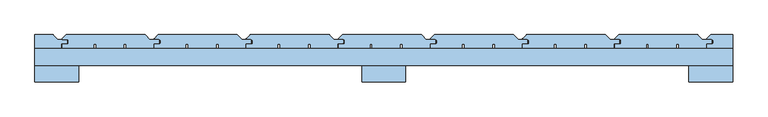
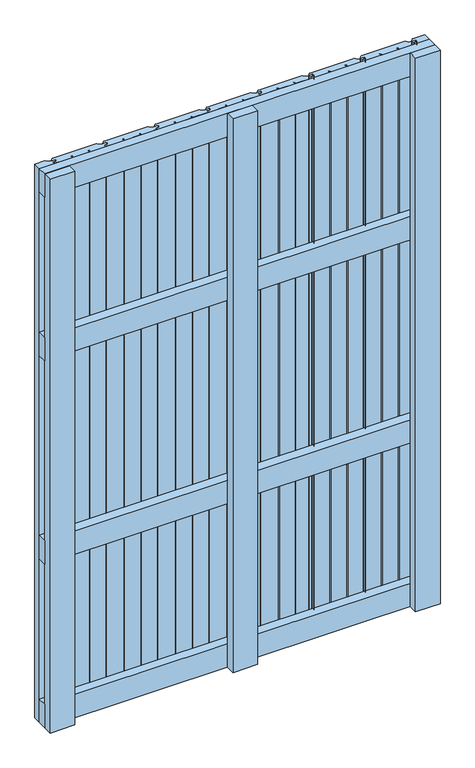
"""IFC4 building model written with IfcOpenShell, lengths in millimetres: window geometry."""

from ifc_helpers import new_model, si_unit, point, frame, frame_2d, origin, place, context, project, spatial, polyline, circle_curve, trimmed, segment, composite_curve, outline, extrude, source, transform, mapped, element, save


def window_a1fb4869(model_context):
    return source(origin(), model_context, "Body", "SweptSolid", [
        extrude(outline(polyline([(500.0, 30.0), (500.0, 6.0), (-500.0, 6.0), (-500.0, 30.0), (500.0, 30.0)])), frame((0.0, 0.0, 1093.5), z_axis=(0.0, 0.0, 1.0), x_axis=(1.0, 0.0, 0.0)), (0.0, 0.0, 1.0), 63.0),
        extrude(outline(polyline([(500.0, 30.0), (500.0, 6.0), (-500.0, 6.0), (-500.0, 30.0), (500.0, 30.0)])), frame((0.0, 0.0, 543.5), z_axis=(0.0, 0.0, 1.0), x_axis=(1.0, 0.0, 0.0)), (0.0, 0.0, 1.0), 63.0),
        extrude(outline(polyline([(500.0, 30.0), (500.0, 6.0), (-500.0, 6.0), (-500.0, 30.0), (500.0, 30.0)])), frame((0.0, 0.0, 1537.0), z_axis=(0.0, 0.0, 1.0), x_axis=(1.0, 0.0, 0.0)), (0.0, 0.0, 1.0), 63.0),
        extrude(outline(polyline([(500.0, 30.0), (500.0, 6.0), (-500.0, 6.0), (-500.0, 30.0), (500.0, 30.0)])), frame((0.0, 0.0, 100.0), z_axis=(0.0, 0.0, 1.0), x_axis=(1.0, 0.0, 0.0)), (0.0, 0.0, 1.0), 63.0),
        extrude(outline(composite_curve([segment(polyline([(-460.0, 36.5), (-453.5, 36.5)]), True, "CONTINUOUS"), segment(trimmed(circle_curve(frame_2d((-453.5, 38.0)), 1.5), [point((-453.5, 36.5))], [point((-452.0, 38.0))], True, "CARTESIAN"), True, "CONTINUOUS"), segment(polyline([(-452.0, 38.0), (-452.0, 41.5)]), True, "CONTINUOUS"), segment(trimmed(circle_curve(frame_2d((-453.5, 41.5)), 1.5), [point((-452.0, 41.5))], [point((-453.5, 43.0))], True, "CARTESIAN"), True, "CONTINUOUS"), segment(polyline([(-453.5, 43.0), (-460.0, 43.0)]), True, "CONTINUOUS"), segment(trimmed(circle_curve(frame_2d((-460.0, 44.0)), 1.0), [point((-460.0, 43.0))], [point((-460.7071068, 44.7071068))], False, "CARTESIAN"), True, "CONTINUOUS"), segment(polyline([(-460.7071068, 44.7071068), (-455.8535534, 49.5606602)]), True, "CONTINUOUS"), segment(trimmed(circle_curve(frame_2d((-454.7928932, 48.5)), 1.5), [point((-455.8535534, 49.5606602))], [point((-454.7928932, 50.0))], False, "CARTESIAN"), True, "CONTINUOUS"), segment(polyline([(-454.7928932, 50.0), (-342.6213203, 50.0)]), True, "CONTINUOUS"), segment(trimmed(circle_curve(frame_2d((-342.6213203, 48.5)), 1.5), [point((-342.6213203, 50.0))], [point((-341.5606602, 49.5606602))], False, "CARTESIAN"), True, "CONTINUOUS"), segment(polyline([(-341.5606602, 49.5606602), (-335.2928932, 43.2928932)]), True, "CONTINUOUS"), segment(trimmed(circle_curve(frame_2d((-334.5857864, 44.0)), 1.0), [point((-335.2928932, 43.2928932))], [point((-334.5857864, 43.0))], True, "CARTESIAN"), True, "CONTINUOUS"), segment(polyline([(-334.5857864, 43.0), (-323.5, 43.0)]), True, "CONTINUOUS"), segment(trimmed(circle_curve(frame_2d((-323.5, 41.5)), 1.5), [point((-323.5, 43.0))], [point((-322.0, 41.5))], False, "CARTESIAN"), True, "CONTINUOUS"), segment(polyline([(-322.0, 41.5), (-322.0, 38.5)]), True, "CONTINUOUS"), segment(trimmed(circle_curve(frame_2d((-323.5, 38.5)), 1.5), [point((-322.0, 38.5))], [point((-323.5, 37.0))], False, "CARTESIAN"), True, "CONTINUOUS"), segment(polyline([(-323.5, 37.0), (-330.0, 37.0), (-330.0, 30.5), (-369.0, 30.5), (-369.0, 36.5), (-372.5, 36.5), (-372.5, 30.5), (-412.5, 30.5), (-412.5, 36.5), (-416.0, 36.5), (-416.0, 30.5), (-461.0, 30.5), (-461.0, 35.5)]), True, "CONTINUOUS"), segment(trimmed(circle_curve(frame_2d((-460.0, 35.5)), 1.0), [point((-461.0, 35.5))], [point((-460.0, 36.5))], False, "CARTESIAN"), True, "CONTINUOUS")], self_intersect=False)), frame((0.0, 0.0, 100.0), z_axis=(0.0, 0.0, 1.0), x_axis=(1.0, 0.0, 0.0)), (0.0, 0.0, 1.0), 1500.0),
        extrude(outline(composite_curve([segment(polyline([(-328.0, 36.5), (-321.5, 36.5)]), True, "CONTINUOUS"), segment(trimmed(circle_curve(frame_2d((-321.5, 38.0)), 1.5), [point((-321.5, 36.5))], [point((-320.0, 38.0))], True, "CARTESIAN"), True, "CONTINUOUS"), segment(polyline([(-320.0, 38.0), (-320.0, 41.5)]), True, "CONTINUOUS"), segment(trimmed(circle_curve(frame_2d((-321.5, 41.5)), 1.5), [point((-320.0, 41.5))], [point((-321.5, 43.0))], True, "CARTESIAN"), True, "CONTINUOUS"), segment(polyline([(-321.5, 43.0), (-328.0, 43.0)]), True, "CONTINUOUS"), segment(trimmed(circle_curve(frame_2d((-328.0, 44.0)), 1.0), [point((-328.0, 43.0))], [point((-328.7071068, 44.7071068))], False, "CARTESIAN"), True, "CONTINUOUS"), segment(polyline([(-328.7071068, 44.7071068), (-323.8535534, 49.5606602)]), True, "CONTINUOUS"), segment(trimmed(circle_curve(frame_2d((-322.7928932, 48.5)), 1.5), [point((-323.8535534, 49.5606602))], [point((-322.7928932, 50.0))], False, "CARTESIAN"), True, "CONTINUOUS"), segment(polyline([(-322.7928932, 50.0), (-210.6213203, 50.0)]), True, "CONTINUOUS"), segment(trimmed(circle_curve(frame_2d((-210.6213203, 48.5)), 1.5), [point((-210.6213203, 50.0))], [point((-209.5606602, 49.5606602))], False, "CARTESIAN"), True, "CONTINUOUS"), segment(polyline([(-209.5606602, 49.5606602), (-203.2928932, 43.2928932)]), True, "CONTINUOUS"), segment(trimmed(circle_curve(frame_2d((-202.5857864, 44.0)), 1.0), [point((-203.2928932, 43.2928932))], [point((-202.5857864, 43.0))], True, "CARTESIAN"), True, "CONTINUOUS"), segment(polyline([(-202.5857864, 43.0), (-191.5, 43.0)]), True, "CONTINUOUS"), segment(trimmed(circle_curve(frame_2d((-191.5, 41.5)), 1.5), [point((-191.5, 43.0))], [point((-190.0, 41.5))], False, "CARTESIAN"), True, "CONTINUOUS"), segment(polyline([(-190.0, 41.5), (-190.0, 38.5)]), True, "CONTINUOUS"), segment(trimmed(circle_curve(frame_2d((-191.5, 38.5)), 1.5), [point((-190.0, 38.5))], [point((-191.5, 37.0))], False, "CARTESIAN"), True, "CONTINUOUS"), segment(polyline([(-191.5, 37.0), (-198.0, 37.0), (-198.0, 30.5), (-237.0, 30.5), (-237.0, 36.5), (-240.5, 36.5), (-240.5, 30.5), (-280.5, 30.5), (-280.5, 36.5), (-284.0, 36.5), (-284.0, 30.5), (-329.0, 30.5), (-329.0, 35.5)]), True, "CONTINUOUS"), segment(trimmed(circle_curve(frame_2d((-328.0, 35.5)), 1.0), [point((-329.0, 35.5))], [point((-328.0, 36.5))], False, "CARTESIAN"), True, "CONTINUOUS")], self_intersect=False)), frame((0.0, 0.0, 100.0), z_axis=(0.0, 0.0, 1.0), x_axis=(1.0, 0.0, 0.0)), (0.0, 0.0, 1.0), 1500.0),
        extrude(outline(composite_curve([segment(polyline([(-196.0, 36.5), (-189.5, 36.5)]), True, "CONTINUOUS"), segment(trimmed(circle_curve(frame_2d((-189.5, 38.0)), 1.5), [point((-189.5, 36.5))], [point((-188.0, 38.0))], True, "CARTESIAN"), True, "CONTINUOUS"), segment(polyline([(-188.0, 38.0), (-188.0, 41.5)]), True, "CONTINUOUS"), segment(trimmed(circle_curve(frame_2d((-189.5, 41.5)), 1.5), [point((-188.0, 41.5))], [point((-189.5, 43.0))], True, "CARTESIAN"), True, "CONTINUOUS"), segment(polyline([(-189.5, 43.0), (-196.0, 43.0)]), True, "CONTINUOUS"), segment(trimmed(circle_curve(frame_2d((-196.0, 44.0)), 1.0), [point((-196.0, 43.0))], [point((-196.7071068, 44.7071068))], False, "CARTESIAN"), True, "CONTINUOUS"), segment(polyline([(-196.7071068, 44.7071068), (-191.8535534, 49.5606602)]), True, "CONTINUOUS"), segment(trimmed(circle_curve(frame_2d((-190.7928932, 48.5)), 1.5), [point((-191.8535534, 49.5606602))], [point((-190.7928932, 50.0))], False, "CARTESIAN"), True, "CONTINUOUS"), segment(polyline([(-190.7928932, 50.0), (-78.6213203, 50.0)]), True, "CONTINUOUS"), segment(trimmed(circle_curve(frame_2d((-78.6213203, 48.5)), 1.5), [point((-78.6213203, 50.0))], [point((-77.5606602, 49.5606602))], False, "CARTESIAN"), True, "CONTINUOUS"), segment(polyline([(-77.5606602, 49.5606602), (-71.2928932, 43.2928932)]), True, "CONTINUOUS"), segment(trimmed(circle_curve(frame_2d((-70.5857864, 44.0)), 1.0), [point((-71.2928932, 43.2928932))], [point((-70.5857864, 43.0))], True, "CARTESIAN"), True, "CONTINUOUS"), segment(polyline([(-70.5857864, 43.0), (-59.5, 43.0)]), True, "CONTINUOUS"), segment(trimmed(circle_curve(frame_2d((-59.5, 41.5)), 1.5), [point((-59.5, 43.0))], [point((-58.0, 41.5))], False, "CARTESIAN"), True, "CONTINUOUS"), segment(polyline([(-58.0, 41.5), (-58.0, 38.5)]), True, "CONTINUOUS"), segment(trimmed(circle_curve(frame_2d((-59.5, 38.5)), 1.5), [point((-58.0, 38.5))], [point((-59.5, 37.0))], False, "CARTESIAN"), True, "CONTINUOUS"), segment(polyline([(-59.5, 37.0), (-66.0, 37.0), (-66.0, 30.5), (-105.0, 30.5), (-105.0, 36.5), (-108.5, 36.5), (-108.5, 30.5), (-148.5, 30.5), (-148.5, 36.5), (-152.0, 36.5), (-152.0, 30.5), (-197.0, 30.5), (-197.0, 35.5)]), True, "CONTINUOUS"), segment(trimmed(circle_curve(frame_2d((-196.0, 35.5)), 1.0), [point((-197.0, 35.5))], [point((-196.0, 36.5))], False, "CARTESIAN"), True, "CONTINUOUS")], self_intersect=False)), frame((0.0, 0.0, 100.0), z_axis=(0.0, 0.0, 1.0), x_axis=(1.0, 0.0, 0.0)), (0.0, 0.0, 1.0), 1500.0),
        extrude(outline(composite_curve([segment(polyline([(-64.0, 36.5), (-57.5, 36.5)]), True, "CONTINUOUS"), segment(trimmed(circle_curve(frame_2d((-57.5, 38.0)), 1.5), [point((-57.5, 36.5))], [point((-56.0, 38.0))], True, "CARTESIAN"), True, "CONTINUOUS"), segment(polyline([(-56.0, 38.0), (-56.0, 41.5)]), True, "CONTINUOUS"), segment(trimmed(circle_curve(frame_2d((-57.5, 41.5)), 1.5), [point((-56.0, 41.5))], [point((-57.5, 43.0))], True, "CARTESIAN"), True, "CONTINUOUS"), segment(polyline([(-57.5, 43.0), (-64.0, 43.0)]), True, "CONTINUOUS"), segment(trimmed(circle_curve(frame_2d((-64.0, 44.0)), 1.0), [point((-64.0, 43.0))], [point((-64.7071068, 44.7071068))], False, "CARTESIAN"), True, "CONTINUOUS"), segment(polyline([(-64.7071068, 44.7071068), (-59.8535534, 49.5606602)]), True, "CONTINUOUS"), segment(trimmed(circle_curve(frame_2d((-58.7928932, 48.5)), 1.5), [point((-59.8535534, 49.5606602))], [point((-58.7928932, 50.0))], False, "CARTESIAN"), True, "CONTINUOUS"), segment(polyline([(-58.7928932, 50.0), (53.3786797, 50.0)]), True, "CONTINUOUS"), segment(trimmed(circle_curve(frame_2d((53.3786797, 48.5)), 1.5), [point((53.3786797, 50.0))], [point((54.4393398, 49.5606602))], False, "CARTESIAN"), True, "CONTINUOUS"), segment(polyline([(54.4393398, 49.5606602), (60.7071068, 43.2928932)]), True, "CONTINUOUS"), segment(trimmed(circle_curve(frame_2d((61.4142136, 44.0)), 1.0), [point((60.7071068, 43.2928932))], [point((61.4142136, 43.0))], True, "CARTESIAN"), True, "CONTINUOUS"), segment(polyline([(61.4142136, 43.0), (72.5, 43.0)]), True, "CONTINUOUS"), segment(trimmed(circle_curve(frame_2d((72.5, 41.5)), 1.5), [point((72.5, 43.0))], [point((74.0, 41.5))], False, "CARTESIAN"), True, "CONTINUOUS"), segment(polyline([(74.0, 41.5), (74.0, 38.5)]), True, "CONTINUOUS"), segment(trimmed(circle_curve(frame_2d((72.5, 38.5)), 1.5), [point((74.0, 38.5))], [point((72.5, 37.0))], False, "CARTESIAN"), True, "CONTINUOUS"), segment(polyline([(72.5, 37.0), (66.0, 37.0), (66.0, 30.5), (27.0, 30.5), (27.0, 36.5), (23.5, 36.5), (23.5, 30.5), (-16.5, 30.5), (-16.5, 36.5), (-20.0, 36.5), (-20.0, 30.5), (-65.0, 30.5), (-65.0, 35.5)]), True, "CONTINUOUS"), segment(trimmed(circle_curve(frame_2d((-64.0, 35.5)), 1.0), [point((-65.0, 35.5))], [point((-64.0, 36.5))], False, "CARTESIAN"), True, "CONTINUOUS")], self_intersect=False)), frame((0.0, 0.0, 100.0), z_axis=(0.0, 0.0, 1.0), x_axis=(1.0, 0.0, 0.0)), (0.0, 0.0, 1.0), 1500.0),
        extrude(outline(composite_curve([segment(polyline([(68.0, 36.5), (74.5, 36.5)]), True, "CONTINUOUS"), segment(trimmed(circle_curve(frame_2d((74.5, 38.0)), 1.5), [point((74.5, 36.5))], [point((76.0, 38.0))], True, "CARTESIAN"), True, "CONTINUOUS"), segment(polyline([(76.0, 38.0), (76.0, 41.5)]), True, "CONTINUOUS"), segment(trimmed(circle_curve(frame_2d((74.5, 41.5)), 1.5), [point((76.0, 41.5))], [point((74.5, 43.0))], True, "CARTESIAN"), True, "CONTINUOUS"), segment(polyline([(74.5, 43.0), (68.0, 43.0)]), True, "CONTINUOUS"), segment(trimmed(circle_curve(frame_2d((68.0, 44.0)), 1.0), [point((68.0, 43.0))], [point((67.2928932, 44.7071068))], False, "CARTESIAN"), True, "CONTINUOUS"), segment(polyline([(67.2928932, 44.7071068), (72.1464466, 49.5606602)]), True, "CONTINUOUS"), segment(trimmed(circle_curve(frame_2d((73.2071068, 48.5)), 1.5), [point((72.1464466, 49.5606602))], [point((73.2071068, 50.0))], False, "CARTESIAN"), True, "CONTINUOUS"), segment(polyline([(73.2071068, 50.0), (185.3786797, 50.0)]), True, "CONTINUOUS"), segment(trimmed(circle_curve(frame_2d((185.3786797, 48.5)), 1.5), [point((185.3786797, 50.0))], [point((186.4393398, 49.5606602))], False, "CARTESIAN"), True, "CONTINUOUS"), segment(polyline([(186.4393398, 49.5606602), (192.7071068, 43.2928932)]), True, "CONTINUOUS"), segment(trimmed(circle_curve(frame_2d((193.4142136, 44.0)), 1.0), [point((192.7071068, 43.2928932))], [point((193.4142136, 43.0))], True, "CARTESIAN"), True, "CONTINUOUS"), segment(polyline([(193.4142136, 43.0), (204.5, 43.0)]), True, "CONTINUOUS"), segment(trimmed(circle_curve(frame_2d((204.5, 41.5)), 1.5), [point((204.5, 43.0))], [point((206.0, 41.5))], False, "CARTESIAN"), True, "CONTINUOUS"), segment(polyline([(206.0, 41.5), (206.0, 38.5)]), True, "CONTINUOUS"), segment(trimmed(circle_curve(frame_2d((204.5, 38.5)), 1.5), [point((206.0, 38.5))], [point((204.5, 37.0))], False, "CARTESIAN"), True, "CONTINUOUS"), segment(polyline([(204.5, 37.0), (198.0, 37.0), (198.0, 30.5), (159.0, 30.5), (159.0, 36.5), (155.5, 36.5), (155.5, 30.5), (115.5, 30.5), (115.5, 36.5), (112.0, 36.5), (112.0, 30.5), (67.0, 30.5), (67.0, 35.5)]), True, "CONTINUOUS"), segment(trimmed(circle_curve(frame_2d((68.0, 35.5)), 1.0), [point((67.0, 35.5))], [point((68.0, 36.5))], False, "CARTESIAN"), True, "CONTINUOUS")], self_intersect=False)), frame((0.0, 0.0, 100.0), z_axis=(0.0, 0.0, 1.0), x_axis=(1.0, 0.0, 0.0)), (0.0, 0.0, 1.0), 1500.0),
        extrude(outline(composite_curve([segment(polyline([(200.0, 36.5), (206.5, 36.5)]), True, "CONTINUOUS"), segment(trimmed(circle_curve(frame_2d((206.5, 38.0)), 1.5), [point((206.5, 36.5))], [point((208.0, 38.0))], True, "CARTESIAN"), True, "CONTINUOUS"), segment(polyline([(208.0, 38.0), (208.0, 41.5)]), True, "CONTINUOUS"), segment(trimmed(circle_curve(frame_2d((206.5, 41.5)), 1.5), [point((208.0, 41.5))], [point((206.5, 43.0))], True, "CARTESIAN"), True, "CONTINUOUS"), segment(polyline([(206.5, 43.0), (200.0, 43.0)]), True, "CONTINUOUS"), segment(trimmed(circle_curve(frame_2d((200.0, 44.0)), 1.0), [point((200.0, 43.0))], [point((199.2928932, 44.7071068))], False, "CARTESIAN"), True, "CONTINUOUS"), segment(polyline([(199.2928932, 44.7071068), (204.1464466, 49.5606602)]), True, "CONTINUOUS"), segment(trimmed(circle_curve(frame_2d((205.2071068, 48.5)), 1.5), [point((204.1464466, 49.5606602))], [point((205.2071068, 50.0))], False, "CARTESIAN"), True, "CONTINUOUS"), segment(polyline([(205.2071068, 50.0), (317.3786797, 50.0)]), True, "CONTINUOUS"), segment(trimmed(circle_curve(frame_2d((317.3786797, 48.5)), 1.5), [point((317.3786797, 50.0))], [point((318.4393398, 49.5606602))], False, "CARTESIAN"), True, "CONTINUOUS"), segment(polyline([(318.4393398, 49.5606602), (324.7071068, 43.2928932)]), True, "CONTINUOUS"), segment(trimmed(circle_curve(frame_2d((325.4142136, 44.0)), 1.0), [point((324.7071068, 43.2928932))], [point((325.4142136, 43.0))], True, "CARTESIAN"), True, "CONTINUOUS"), segment(polyline([(325.4142136, 43.0), (336.5, 43.0)]), True, "CONTINUOUS"), segment(trimmed(circle_curve(frame_2d((336.5, 41.5)), 1.5), [point((336.5, 43.0))], [point((338.0, 41.5))], False, "CARTESIAN"), True, "CONTINUOUS"), segment(polyline([(338.0, 41.5), (338.0, 38.5)]), True, "CONTINUOUS"), segment(trimmed(circle_curve(frame_2d((336.5, 38.5)), 1.5), [point((338.0, 38.5))], [point((336.5, 37.0))], False, "CARTESIAN"), True, "CONTINUOUS"), segment(polyline([(336.5, 37.0), (330.0, 37.0), (330.0, 30.5), (291.0, 30.5), (291.0, 36.5), (287.5, 36.5), (287.5, 30.5), (247.5, 30.5), (247.5, 36.5), (244.0, 36.5), (244.0, 30.5), (199.0, 30.5), (199.0, 35.5)]), True, "CONTINUOUS"), segment(trimmed(circle_curve(frame_2d((200.0, 35.5)), 1.0), [point((199.0, 35.5))], [point((200.0, 36.5))], False, "CARTESIAN"), True, "CONTINUOUS")], self_intersect=False)), frame((0.0, 0.0, 100.0), z_axis=(0.0, 0.0, 1.0), x_axis=(1.0, 0.0, 0.0)), (0.0, 0.0, 1.0), 1500.0),
        extrude(outline(composite_curve([segment(polyline([(332.0, 36.5), (338.5, 36.5)]), True, "CONTINUOUS"), segment(trimmed(circle_curve(frame_2d((338.5, 38.0)), 1.5), [point((338.5, 36.5))], [point((340.0, 38.0))], True, "CARTESIAN"), True, "CONTINUOUS"), segment(polyline([(340.0, 38.0), (340.0, 41.5)]), True, "CONTINUOUS"), segment(trimmed(circle_curve(frame_2d((338.5, 41.5)), 1.5), [point((340.0, 41.5))], [point((338.5, 43.0))], True, "CARTESIAN"), True, "CONTINUOUS"), segment(polyline([(338.5, 43.0), (332.0, 43.0)]), True, "CONTINUOUS"), segment(trimmed(circle_curve(frame_2d((332.0, 44.0)), 1.0), [point((332.0, 43.0))], [point((331.2928932, 44.7071068))], False, "CARTESIAN"), True, "CONTINUOUS"), segment(polyline([(331.2928932, 44.7071068), (336.1464466, 49.5606602)]), True, "CONTINUOUS"), segment(trimmed(circle_curve(frame_2d((337.2071068, 48.5)), 1.5), [point((336.1464466, 49.5606602))], [point((337.2071068, 50.0))], False, "CARTESIAN"), True, "CONTINUOUS"), segment(polyline([(337.2071068, 50.0), (449.3786797, 50.0)]), True, "CONTINUOUS"), segment(trimmed(circle_curve(frame_2d((449.3786797, 48.5)), 1.5), [point((449.3786797, 50.0))], [point((450.4393398, 49.5606602))], False, "CARTESIAN"), True, "CONTINUOUS"), segment(polyline([(450.4393398, 49.5606602), (456.7071068, 43.2928932)]), True, "CONTINUOUS"), segment(trimmed(circle_curve(frame_2d((457.4142136, 44.0)), 1.0), [point((456.7071068, 43.2928932))], [point((457.4142136, 43.0))], True, "CARTESIAN"), True, "CONTINUOUS"), segment(polyline([(457.4142136, 43.0), (468.5, 43.0)]), True, "CONTINUOUS"), segment(trimmed(circle_curve(frame_2d((468.5, 41.5)), 1.5), [point((468.5, 43.0))], [point((470.0, 41.5))], False, "CARTESIAN"), True, "CONTINUOUS"), segment(polyline([(470.0, 41.5), (470.0, 38.5)]), True, "CONTINUOUS"), segment(trimmed(circle_curve(frame_2d((468.5, 38.5)), 1.5), [point((470.0, 38.5))], [point((468.5, 37.0))], False, "CARTESIAN"), True, "CONTINUOUS"), segment(polyline([(468.5, 37.0), (462.0, 37.0), (462.0, 30.5), (423.0, 30.5), (423.0, 36.5), (419.5, 36.5), (419.5, 30.5), (379.5, 30.5), (379.5, 36.5), (376.0, 36.5), (376.0, 30.5), (331.0, 30.5), (331.0, 35.5)]), True, "CONTINUOUS"), segment(trimmed(circle_curve(frame_2d((332.0, 35.5)), 1.0), [point((331.0, 35.5))], [point((332.0, 36.5))], False, "CARTESIAN"), True, "CONTINUOUS")], self_intersect=False)), frame((0.0, 0.0, 100.0), z_axis=(0.0, 0.0, 1.0), x_axis=(1.0, 0.0, 0.0)), (0.0, 0.0, 1.0), 1500.0),
        extrude(outline(composite_curve([segment(polyline([(-473.5606602, 49.5606602), (-467.2928932, 43.2928932)]), True, "CONTINUOUS"), segment(trimmed(circle_curve(frame_2d((-466.5857864, 44.0)), 1.0), [point((-467.2928932, 43.2928932))], [point((-466.5857864, 43.0))], True, "CARTESIAN"), True, "CONTINUOUS"), segment(polyline([(-466.5857864, 43.0), (-455.5, 43.0)]), True, "CONTINUOUS"), segment(trimmed(circle_curve(frame_2d((-455.5, 41.5)), 1.5), [point((-455.5, 43.0))], [point((-454.0, 41.5))], False, "CARTESIAN"), True, "CONTINUOUS"), segment(polyline([(-454.0, 41.5), (-454.0, 38.5)]), True, "CONTINUOUS"), segment(trimmed(circle_curve(frame_2d((-455.5, 38.5)), 1.5), [point((-454.0, 38.5))], [point((-455.5, 37.0))], False, "CARTESIAN"), True, "CONTINUOUS"), segment(polyline([(-455.5, 37.0), (-462.0, 37.0), (-462.0, 30.5), (-500.0, 30.5), (-500.0, 50.0), (-474.6213203, 50.0)]), True, "CONTINUOUS"), segment(trimmed(circle_curve(frame_2d((-474.6213203, 48.5)), 1.5), [point((-474.6213203, 50.0))], [point((-473.5606602, 49.5606602))], False, "CARTESIAN"), True, "CONTINUOUS")], self_intersect=False)), frame((0.0, 0.0, 100.0), z_axis=(0.0, 0.0, 1.0), x_axis=(1.0, 0.0, 0.0)), (0.0, 0.0, 1.0), 1500.0),
        extrude(outline(composite_curve([segment(polyline([(464.0, 36.5), (470.5, 36.5)]), True, "CONTINUOUS"), segment(trimmed(circle_curve(frame_2d((470.5, 38.0)), 1.5), [point((470.5, 36.5))], [point((472.0, 38.0))], True, "CARTESIAN"), True, "CONTINUOUS"), segment(polyline([(472.0, 38.0), (472.0, 41.5)]), True, "CONTINUOUS"), segment(trimmed(circle_curve(frame_2d((470.5, 41.5)), 1.5), [point((472.0, 41.5))], [point((470.5, 43.0))], True, "CARTESIAN"), True, "CONTINUOUS"), segment(polyline([(470.5, 43.0), (464.0, 43.0)]), True, "CONTINUOUS"), segment(trimmed(circle_curve(frame_2d((464.0, 44.0)), 1.0), [point((464.0, 43.0))], [point((463.2928932, 44.7071068))], False, "CARTESIAN"), True, "CONTINUOUS"), segment(polyline([(463.2928932, 44.7071068), (468.1464466, 49.5606602)]), True, "CONTINUOUS"), segment(trimmed(circle_curve(frame_2d((469.2071068, 48.5)), 1.5), [point((468.1464466, 49.5606602))], [point((469.2071068, 50.0))], False, "CARTESIAN"), True, "CONTINUOUS"), segment(polyline([(469.2071068, 50.0), (500.0, 50.0), (500.0, 30.5), (463.0, 30.5), (463.0, 35.5)]), True, "CONTINUOUS"), segment(trimmed(circle_curve(frame_2d((464.0, 35.5)), 1.0), [point((463.0, 35.5))], [point((464.0, 36.5))], False, "CARTESIAN"), True, "CONTINUOUS")], self_intersect=False)), frame((0.0, 0.0, 100.0), z_axis=(0.0, 0.0, 1.0), x_axis=(1.0, 0.0, 0.0)), (0.0, 0.0, 1.0), 1500.0),
        extrude(outline(polyline([(-31.5, 6.1), (31.5, 6.1), (31.5, -17.9), (-31.5, -17.9), (-31.5, 6.1)])), frame((0.0, 0.0, 100.0), z_axis=(0.0, 0.0, 1.0), x_axis=(1.0, 0.0, 0.0)), (0.0, 0.0, 1.0), 1500.0),
        extrude(outline(polyline([(-500.0, 6.0), (-437.0, 6.0), (-437.0, -18.0), (-500.0, -18.0), (-500.0, 6.0)])), frame((0.0, 0.0, 100.0), z_axis=(0.0, 0.0, 1.0), x_axis=(1.0, 0.0, 0.0)), (0.0, 0.0, 1.0), 1500.0),
        extrude(outline(polyline([(437.0, 6.0), (500.0, 6.0), (500.0, -18.0), (437.0, -18.0), (437.0, 6.0)])), frame((0.0, 0.0, 100.0), z_axis=(0.0, 0.0, 1.0), x_axis=(1.0, 0.0, 0.0)), (0.0, 0.0, 1.0), 1500.0),
    ])


if __name__ == "__main__":
    model = new_model("IFC4")
    model_context = context("Model", 3, world=origin())
    ifc_project = project(units=[si_unit("LENGTHUNIT", "METRE", prefix="MILLI")], contexts=[model_context])
    site = spatial("IfcSite", under=ifc_project)
    building = spatial("IfcBuilding", under=site)
    placement = place(None, origin())
    window_shape = window_a1fb4869(model_context)
    element("IfcWindow", 1, at=placement, inside=building, context=model_context, shape_type="MappedRepresentation", body=[
        mapped(window_shape, transform((0.0, 0.0, 0.0), x_axis=(1.0, 0.0, 0.0), y_axis=(0.0, 1.0, 0.0), z_axis=(0.0, 0.0, 1.0))),
    ])
    save(model, "model.ifc")
